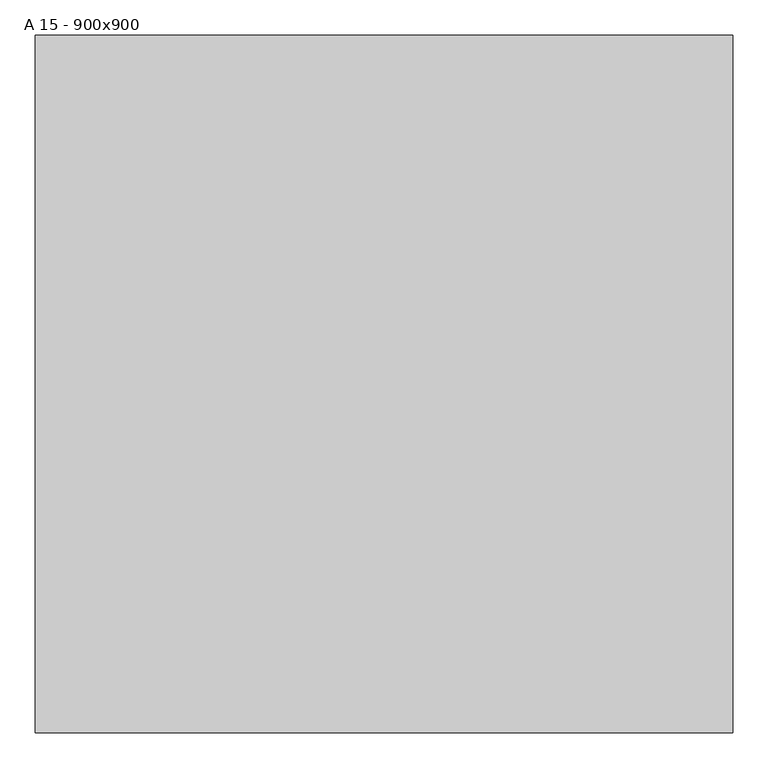
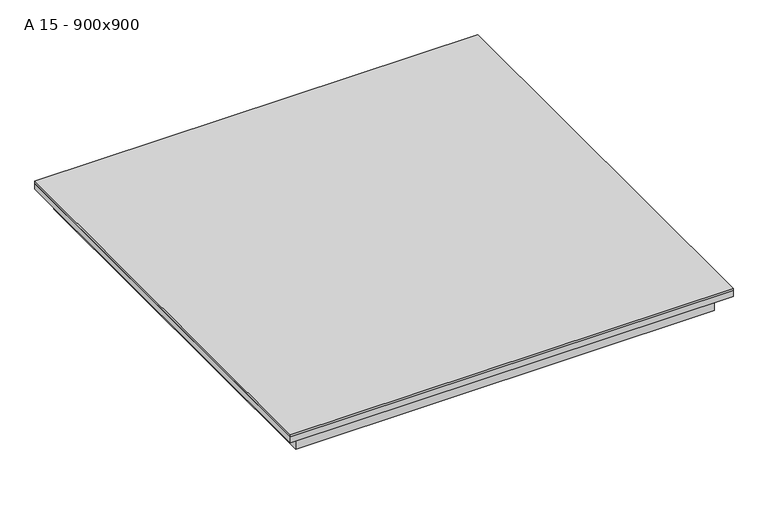
"""IFC4 building model written with IfcOpenShell, lengths in millimetres: proxy geometry, A 15 - 900x900."""

from ifc_helpers import new_model, si_unit, frame, origin, place, context, project, spatial, polyline, outline, extrude, faceted_brep, source, transform, mapped, element, save


def a_15_900x900_f7cd6fdf(model_context):
    return source(origin(), model_context, "Body", "SolidModel", [
        extrude(outline(polyline([(-425.0, 135.0), (-420.0, 135.0), (-420.0, 2.5), (420.0, 2.5), (420.0, 135.0), (425.0, 135.0), (425.0, -135.0), (420.0, -135.0), (420.0, -2.5), (-420.0, -2.5), (-420.0, -135.0), (-425.0, -135.0), (-425.0, 135.0)])), frame((0.0, 0.0, -85.0), z_axis=(0.0, 0.0, 1.0), x_axis=(1.0, 0.0, 0.0)), (0.0, 0.0, 1.0), 80.0),
        extrude(outline(polyline([(498.0, 498.0), (498.0, -498.0), (-498.0, -498.0), (-498.0, 498.0), (498.0, 498.0)])), frame((0.0, 0.0, -5.0), z_axis=(0.0, 0.0, 1.0), x_axis=(1.0, 0.0, 0.0)), (0.0, 0.0, 1.0), 5.0),
        faceted_brep([(498.0, 498.0, -19.0), (498.0, 498.0, -5.0), (498.0, -498.0, -5.0), (498.0, -498.0, -19.0), (450.0, 450.0, -57.5), (450.0, 450.0, -59.5), (450.0, -450.0, -59.5), (450.0, -450.0, -57.5), (496.0, 496.0, -5.0), (496.0, 496.0, -17.0), (496.0, -496.0, -17.0), (496.0, -496.0, -5.0), (-498.0, -498.0, -5.0), (-498.0, -498.0, -19.0), (-450.0, -450.0, -59.5), (-450.0, -450.0, -57.5), (-496.0, -496.0, -17.0), (-496.0, -496.0, -5.0), (-498.0, 498.0, -5.0), (-498.0, 498.0, -19.0), (-450.0, 450.0, -59.5), (-450.0, 450.0, -57.5), (-496.0, 496.0, -17.0), (-496.0, 496.0, -5.0), (471.0, -471.0, -59.5), (-471.0, -471.0, -59.5), (-471.0, 471.0, -59.5), (471.0, 471.0, -59.5), (469.0, 469.0, -57.5), (-469.0, 469.0, -57.5), (-469.0, -469.0, -57.5), (469.0, -469.0, -57.5), (471.0, 471.0, -19.0), (471.0, -471.0, -19.0), (469.0, 469.0, -17.0), (469.0, -469.0, -17.0), (-471.0, -471.0, -19.0), (-469.0, -469.0, -17.0), (-471.0, 471.0, -19.0), (-469.0, 469.0, -17.0)], [[[0, 1, 2, 3]], [[4, 5, 6, 7]], [[8, 9, 10, 11]], [[3, 2, 12, 13]], [[7, 6, 14, 15]], [[11, 10, 16, 17]], [[13, 12, 18, 19]], [[15, 14, 20, 21]], [[17, 16, 22, 23]], [[19, 18, 1, 0]], [[24, 25, 26, 27], [5, 20, 14, 6]], [[21, 20, 5, 4]], [[28, 29, 30, 31], [7, 15, 21, 4]], [[23, 22, 9, 8]], [[27, 32, 33, 24]], [[34, 28, 31, 35]], [[24, 33, 36, 25]], [[35, 31, 30, 37]], [[25, 36, 38, 26]], [[37, 30, 29, 39]], [[3, 13, 19, 0], [32, 38, 36, 33]], [[26, 38, 32, 27]], [[39, 29, 28, 34]], [[9, 22, 16, 10], [35, 37, 39, 34]], [[1, 18, 12, 2], [11, 17, 23, 8]]]),
    ])


if __name__ == "__main__":
    model = new_model("IFC4")
    model_context = context("Model", 3, world=origin())
    ifc_project = project(units=[si_unit("LENGTHUNIT", "METRE", prefix="MILLI")], contexts=[model_context])
    site = spatial("IfcSite", under=ifc_project)
    building = spatial("IfcBuilding", under=site)
    placement = place(None, origin())
    a_15_900x900_shape = a_15_900x900_f7cd6fdf(model_context)
    element("IfcBuildingElementProxy", 1, Name="A 15 - 900x900", ObjectType="A 15 - 900x900", at=placement, inside=building, context=model_context, shape_type="MappedRepresentation", body=[
        mapped(a_15_900x900_shape, transform((0.0, 0.0, 0.0), x_axis=(1.0, 0.0, 0.0), y_axis=(0.0, 1.0, 0.0), z_axis=(0.0, 0.0, 1.0))),
    ])
    save(model, "model.ifc")
